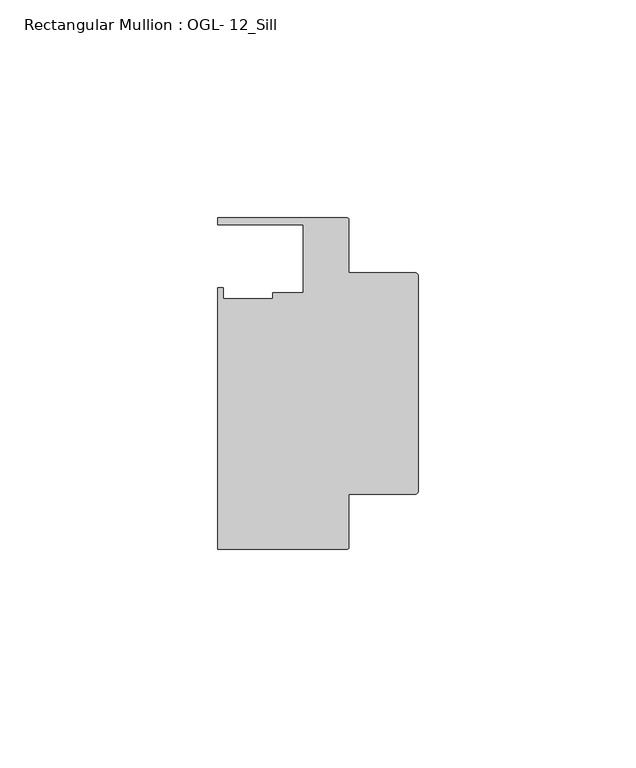
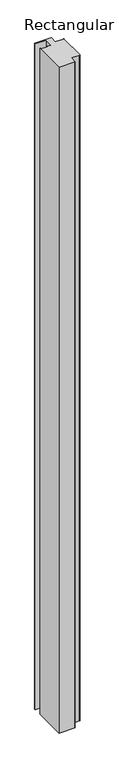
"""IFC4 building model written with IfcOpenShell, lengths in millimetres: member geometry, Rectangular Mullion : OGL- 12_Sill."""

from ifc_helpers import new_model, si_unit, point, frame, frame_2d, origin, place, context, project, spatial, polyline, circle_curve, trimmed, segment, composite_curve, outline, extrude, source, transform, mapped, element, save


def rectangular_mullion_ogl_12_sill_bf8748c4(model_context):
    return source(origin(), model_context, "Body", "SweptSolid", [
        extrude(outline(composite_curve([segment(polyline([(-0.5953125, -25.4), (-15.8750672, -25.4), (-15.8750672, -37.5043667)]), True, "CONTINUOUS"), segment(trimmed(circle_curve(frame_2d((-16.4703797, -37.5043667)), 0.5953125), [point((-15.8750672, -37.5043667))], [point((-16.4703797, -38.0996792))], False, "CARTESIAN"), True, "CONTINUOUS"), segment(polyline([(-16.4703797, -38.0996792), (-46.0339598, -38.0996792), (-46.0339598, 21.9710976), (-44.7780305, 21.9710976), (-44.7780305, 19.4824275), (-33.3985545, 19.4824275), (-33.3985545, 20.8257348), (-26.3720794, 20.8257348), (-26.3720794, 36.512516), (-46.0248655, 36.512516), (-46.0248655, 38.100016), (-16.4703797, 38.100016)]), True, "CONTINUOUS"), segment(trimmed(circle_curve(frame_2d((-16.4703797, 37.5047035)), 0.5953125), [point((-16.4703797, 38.100016))], [point((-15.8750672, 37.5047035))], False, "CARTESIAN"), True, "CONTINUOUS"), segment(polyline([(-15.8750672, 37.5047035), (-15.8750672, 25.4), (-0.5953125, 25.4)]), True, "CONTINUOUS"), segment(trimmed(circle_curve(frame_2d((-0.5953125, 24.8046875)), 0.5953125), [point((-0.5953125, 25.4))], [point((0.0, 24.8046875))], False, "CARTESIAN"), True, "CONTINUOUS"), segment(polyline([(0.0, 24.8046875), (0.0, -24.8046875)]), True, "CONTINUOUS"), segment(trimmed(circle_curve(frame_2d((-0.5953125, -24.8046875)), 0.5953125), [point((0.0, -24.8046875))], [point((-0.5953125, -25.4))], False, "CARTESIAN"), True, "CONTINUOUS")], self_intersect=False)), frame((0.0, 0.0, -1282.7), z_axis=(0.0, 0.0, 1.0), x_axis=(1.0, 0.0, 0.0)), (0.0, 0.0, 1.0), 1282.7),
    ])


if __name__ == "__main__":
    model = new_model("IFC4")
    model_context = context("Model", 3, world=origin())
    ifc_project = project(units=[si_unit("LENGTHUNIT", "METRE", prefix="MILLI")], contexts=[model_context])
    site = spatial("IfcSite", under=ifc_project)
    building = spatial("IfcBuilding", under=site)
    placement = place(None, origin())
    rectangular_mullion_ogl_12_sill_shape = rectangular_mullion_ogl_12_sill_bf8748c4(model_context)
    element("IfcMember", 1, ObjectType="Rectangular Mullion : OGL- 12_Sill", at=placement, inside=building, context=model_context, shape_type="MappedRepresentation", body=[
        mapped(rectangular_mullion_ogl_12_sill_shape, transform((0.0, 0.0, 0.0), x_axis=(1.0, 0.0, 0.0), y_axis=(0.0, 1.0, 0.0), z_axis=(0.0, 0.0, 1.0))),
    ])
    save(model, "model.ifc")
